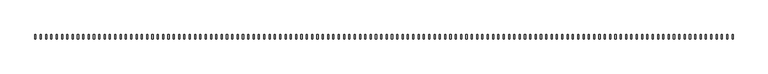
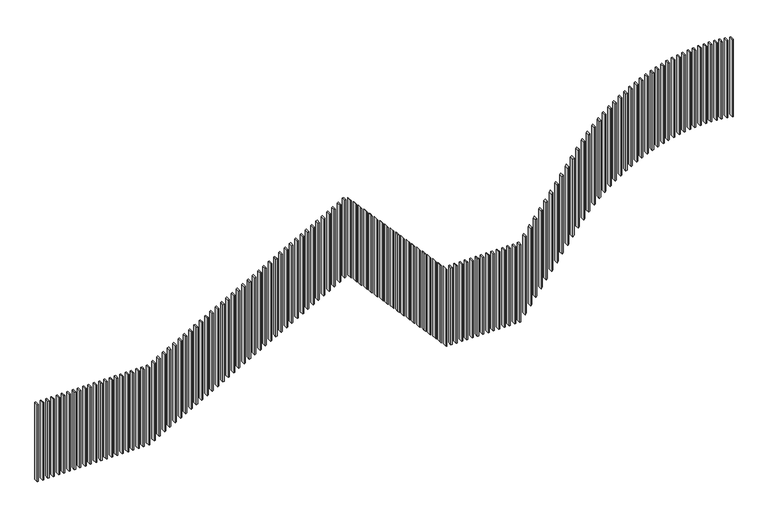
"""IFC4 building model written with IfcOpenShell, lengths in millimetres: railing geometry."""

from ifc_helpers import new_model, si_unit, frame, origin, place, context, project, spatial, polyline, outline, extrude, source, transform, mapped, element, save


def railing_7092d26f(model_context):
    return source(origin(), model_context, "Body", "SweptSolid", [
        extrude(outline(polyline([(3220.9401785, 15645.0), (2450.9401785, 15645.0), (2449.3381805, 15655.0), (3219.3381805, 15655.0), (3220.9401785, 15645.0)])), frame((0.0, 1210.0, 0.0), z_axis=(0.0, 1.0, 0.0), x_axis=(0.0, 0.0, 1.0)), (0.0, 0.0, 1.0), 40.0),
        extrude(outline(polyline([(3227.9171291, 15595.0), (2457.9171291, 15595.0), (2456.6587882, 15605.0), (3226.6587882, 15605.0), (3227.9171291, 15595.0)])), frame((0.0, 1210.0, 0.0), z_axis=(0.0, 1.0, 0.0), x_axis=(0.0, 0.0, 1.0)), (0.0, 0.0, 1.0), 40.0),
        extrude(outline(polyline([(3233.1893186, 15545.0), (2463.1893186, 15545.0), (2462.2703, 15555.0), (3232.2703, 15555.0), (3233.1893186, 15545.0)])), frame((0.0, 1210.0, 0.0), z_axis=(0.0, 1.0, 0.0), x_axis=(0.0, 0.0, 1.0)), (0.0, 0.0, 1.0), 40.0),
        extrude(outline(polyline([(3236.7747488, 15495.0), (2466.7747488, 15495.0), (2466.1919328, 15505.0), (3236.1919328, 15505.0), (3236.7747488, 15495.0)])), frame((0.0, 1210.0, 0.0), z_axis=(0.0, 1.0, 0.0), x_axis=(0.0, 0.0, 1.0)), (0.0, 0.0, 1.0), 40.0),
        extrude(outline(polyline([(3238.6855175, 15445.0), (2468.6855175, 15445.0), (2468.4369454, 15455.0), (3238.4369454, 15455.0), (3238.6855175, 15445.0)])), frame((0.0, 1210.0, 0.0), z_axis=(0.0, 1.0, 0.0), x_axis=(0.0, 0.0, 1.0)), (0.0, 0.0, 1.0), 40.0),
        extrude(outline(polyline([(15395.0, 1210.0), (15395.0, 1250.0), (15405.0, 1250.0), (15405.0, 1210.0), (15395.0, 1210.0)])), frame((0.0, 0.0, 2468.9704452), z_axis=(0.0, 0.0, 1.0), x_axis=(1.0, 0.0, 0.0)), (0.0, 0.0, 1.0), 770.0),
        extrude(outline(polyline([(3237.50308, 15345.0), (2467.50308, 15345.0), (2467.9216175, 15355.0), (3237.9216175, 15355.0), (3237.50308, 15345.0)])), frame((0.0, 1210.0, 0.0), z_axis=(0.0, 1.0, 0.0), x_axis=(0.0, 0.0, 1.0)), (0.0, 0.0, 1.0), 40.0),
        extrude(outline(polyline([(3234.4059172, 15295.0), (2464.4059172, 15295.0), (2465.159553, 15305.0), (3235.159553, 15305.0), (3234.4059172, 15295.0)])), frame((0.0, 1210.0, 0.0), z_axis=(0.0, 1.0, 0.0), x_axis=(0.0, 0.0, 1.0)), (0.0, 0.0, 1.0), 40.0),
        extrude(outline(polyline([(3229.6261131, 15245.0), (2459.6261131, 15245.0), (2460.7173916, 15255.0), (3230.7173916, 15255.0), (3229.6261131, 15245.0)])), frame((0.0, 1210.0, 0.0), z_axis=(0.0, 1.0, 0.0), x_axis=(0.0, 0.0, 1.0)), (0.0, 0.0, 1.0), 40.0),
        extrude(outline(polyline([(3223.1474109, 15195.0), (2453.1474109, 15195.0), (2454.5800623, 15205.0), (3224.5800623, 15205.0), (3223.1474109, 15195.0)])), frame((0.0, 1210.0, 0.0), z_axis=(0.0, 1.0, 0.0), x_axis=(0.0, 0.0, 1.0)), (0.0, 0.0, 1.0), 40.0),
        extrude(outline(polyline([(3214.9474395, 15145.0), (2444.9474395, 15145.0), (2446.7264447, 15155.0), (3216.7264447, 15155.0), (3214.9474395, 15145.0)])), frame((0.0, 1210.0, 0.0), z_axis=(0.0, 1.0, 0.0), x_axis=(0.0, 0.0, 1.0)), (0.0, 0.0, 1.0), 40.0),
        extrude(outline(polyline([(3204.9973166, 15095.0), (2434.9973166, 15095.0), (2437.1289966, 15105.0), (3207.1289966, 15105.0), (3204.9973166, 15095.0)])), frame((0.0, 1210.0, 0.0), z_axis=(0.0, 1.0, 0.0), x_axis=(0.0, 0.0, 1.0)), (0.0, 0.0, 1.0), 40.0),
        extrude(outline(polyline([(3193.26112, 15045.0), (2423.26112, 15045.0), (2425.7532533, 15055.0), (3195.7532533, 15055.0), (3193.26112, 15045.0)])), frame((0.0, 1210.0, 0.0), z_axis=(0.0, 1.0, 0.0), x_axis=(0.0, 0.0, 1.0)), (0.0, 0.0, 1.0), 40.0),
        extrude(outline(polyline([(3179.6952026, 14995.0), (2409.6952026, 14995.0), (2412.5571761, 15005.0), (3182.5571761, 15005.0), (3179.6952026, 14995.0)])), frame((0.0, 1210.0, 0.0), z_axis=(0.0, 1.0, 0.0), x_axis=(0.0, 0.0, 1.0)), (0.0, 0.0, 1.0), 40.0),
        extrude(outline(polyline([(3164.24732, 14945.0), (2394.24732, 14945.0), (2397.4903205, 14955.0), (3167.4903205, 14955.0), (3164.24732, 14945.0)])), frame((0.0, 1210.0, 0.0), z_axis=(0.0, 1.0, 0.0), x_axis=(0.0, 0.0, 1.0)), (0.0, 0.0, 1.0), 40.0),
        extrude(outline(polyline([(3146.8555256, 14895.0), (2376.8555256, 14895.0), (2380.4927817, 14905.0), (3150.4927817, 14905.0), (3146.8555256, 14895.0)])), frame((0.0, 1210.0, 0.0), z_axis=(0.0, 1.0, 0.0), x_axis=(0.0, 0.0, 1.0)), (0.0, 0.0, 1.0), 40.0),
        extrude(outline(polyline([(3127.446776, 14845.0), (2357.446776, 14845.0), (2361.4938641, 14855.0), (3131.4938641, 14855.0), (3127.446776, 14845.0)])), frame((0.0, 1210.0, 0.0), z_axis=(0.0, 1.0, 0.0), x_axis=(0.0, 0.0, 1.0)), (0.0, 0.0, 1.0), 40.0),
        extrude(outline(polyline([(3105.9351632, 14795.0), (2335.9351632, 14795.0), (2340.4103956, 14805.0), (3110.4103956, 14805.0), (3105.9351632, 14795.0)])), frame((0.0, 1210.0, 0.0), z_axis=(0.0, 1.0, 0.0), x_axis=(0.0, 0.0, 1.0)), (0.0, 0.0, 1.0), 40.0),
        extrude(outline(polyline([(3082.2196648, 14745.0), (2312.2196648, 14745.0), (2317.1445852, 14755.0), (3087.1445852, 14755.0), (3082.2196648, 14745.0)])), frame((0.0, 1210.0, 0.0), z_axis=(0.0, 1.0, 0.0), x_axis=(0.0, 0.0, 1.0)), (0.0, 0.0, 1.0), 40.0),
        extrude(outline(polyline([(3056.1812524, 14695.0), (2286.1812524, 14695.0), (2291.5812752, 14705.0), (3061.5812752, 14705.0), (3056.1812524, 14695.0)])), frame((0.0, 1210.0, 0.0), z_axis=(0.0, 1.0, 0.0), x_axis=(0.0, 0.0, 1.0)), (0.0, 0.0, 1.0), 40.0),
        extrude(outline(polyline([(3027.6791364, 14645.0), (2257.6791364, 14645.0), (2263.5843809, 14655.0), (3033.5843809, 14655.0), (3027.6791364, 14645.0)])), frame((0.0, 1210.0, 0.0), z_axis=(0.0, 1.0, 0.0), x_axis=(0.0, 0.0, 1.0)), (0.0, 0.0, 1.0), 40.0),
        extrude(outline(polyline([(2996.5458227, 14595.0), (2226.5458227, 14595.0), (2232.9922172, 14605.0), (3002.9922172, 14605.0), (2996.5458227, 14595.0)])), frame((0.0, 1210.0, 0.0), z_axis=(0.0, 1.0, 0.0), x_axis=(0.0, 0.0, 1.0)), (0.0, 0.0, 1.0), 40.0),
        extrude(outline(polyline([(2962.580498, 14545.0), (2192.580498, 14545.0), (2199.6112679, 14555.0), (2969.6112679, 14555.0), (2962.580498, 14545.0)])), frame((0.0, 1210.0, 0.0), z_axis=(0.0, 1.0, 0.0), x_axis=(0.0, 0.0, 1.0)), (0.0, 0.0, 1.0), 40.0),
        extrude(outline(polyline([(2925.5400101, 14495.0), (2155.5400101, 14495.0), (2163.2077224, 14505.0), (2933.2077224, 14505.0), (2925.5400101, 14495.0)])), frame((0.0, 1210.0, 0.0), z_axis=(0.0, 1.0, 0.0), x_axis=(0.0, 0.0, 1.0)), (0.0, 0.0, 1.0), 40.0),
        extrude(outline(polyline([(2885.1262862, 14445.0), (2115.1262862, 14445.0), (2123.4957284, 14455.0), (2893.4957284, 14455.0), (2885.1262862, 14445.0)])), frame((0.0, 1210.0, 0.0), z_axis=(0.0, 1.0, 0.0), x_axis=(0.0, 0.0, 1.0)), (0.0, 0.0, 1.0), 40.0),
        extrude(outline(polyline([(2840.9683142, 14395.0), (2070.9683142, 14395.0), (2080.1206626, 14405.0), (2850.1206626, 14405.0), (2840.9683142, 14395.0)])), frame((0.0, 1210.0, 0.0), z_axis=(0.0, 1.0, 0.0), x_axis=(0.0, 0.0, 1.0)), (0.0, 0.0, 1.0), 40.0),
        extrude(outline(polyline([(2792.595504, 14345.0), (2022.595504, 14345.0), (2032.6345663, 14355.0), (2802.6345663, 14355.0), (2792.595504, 14345.0)])), frame((0.0, 1210.0, 0.0), z_axis=(0.0, 1.0, 0.0), x_axis=(0.0, 0.0, 1.0)), (0.0, 0.0, 1.0), 40.0),
        extrude(outline(polyline([(2739.3967776, 14295.0), (1969.3967776, 14295.0), (1980.4587323, 14305.0), (2750.4587323, 14305.0), (2739.3967776, 14295.0)])), frame((0.0, 1210.0, 0.0), z_axis=(0.0, 1.0, 0.0), x_axis=(0.0, 0.0, 1.0)), (0.0, 0.0, 1.0), 40.0),
        extrude(outline(polyline([(2680.5547302, 14245.0), (1910.5547302, 14245.0), (1922.8241051, 14255.0), (2692.8241051, 14255.0), (2680.5547302, 14245.0)])), frame((0.0, 1210.0, 0.0), z_axis=(0.0, 1.0, 0.0), x_axis=(0.0, 0.0, 1.0)), (0.0, 0.0, 1.0), 40.0),
        extrude(outline(polyline([(2614.9201587, 14195.0), (1844.9201587, 14195.0), (1858.6839779, 14205.0), (2628.6839779, 14205.0), (2614.9201587, 14195.0)])), frame((0.0, 1210.0, 0.0), z_axis=(0.0, 1.0, 0.0), x_axis=(0.0, 0.0, 1.0)), (0.0, 0.0, 1.0), 40.0),
        extrude(outline(polyline([(2546.1021113, 14145.0), (1776.1021113, 14145.0), (1789.8659305, 14155.0), (2559.8659305, 14155.0), (2546.1021113, 14145.0)])), frame((0.0, 1210.0, 0.0), z_axis=(0.0, 1.0, 0.0), x_axis=(0.0, 0.0, 1.0)), (0.0, 0.0, 1.0), 40.0),
        extrude(outline(polyline([(2477.2830153, 14095.0), (1707.2830153, 14095.0), (1721.0468345, 14105.0), (2491.0468345, 14105.0), (2477.2830153, 14095.0)])), frame((0.0, 1210.0, 0.0), z_axis=(0.0, 1.0, 0.0), x_axis=(0.0, 0.0, 1.0)), (0.0, 0.0, 1.0), 40.0),
        extrude(outline(polyline([(2408.4639193, 14045.0), (1638.4639193, 14045.0), (1652.2277385, 14055.0), (2422.2277385, 14055.0), (2408.4639193, 14045.0)])), frame((0.0, 1210.0, 0.0), z_axis=(0.0, 1.0, 0.0), x_axis=(0.0, 0.0, 1.0)), (0.0, 0.0, 1.0), 40.0),
        extrude(outline(polyline([(2339.6448233, 13995.0), (1569.6448233, 13995.0), (1583.4086425, 14005.0), (2353.4086425, 14005.0), (2339.6448233, 13995.0)])), frame((0.0, 1210.0, 0.0), z_axis=(0.0, 1.0, 0.0), x_axis=(0.0, 0.0, 1.0)), (0.0, 0.0, 1.0), 40.0),
        extrude(outline(polyline([(2270.8257272, 13945.0), (1500.8257272, 13945.0), (1514.5895464, 13955.0), (2284.5895464, 13955.0), (2270.8257272, 13945.0)])), frame((0.0, 1210.0, 0.0), z_axis=(0.0, 1.0, 0.0), x_axis=(0.0, 0.0, 1.0)), (0.0, 0.0, 1.0), 40.0),
        extrude(outline(polyline([(2202.0066312, 13895.0), (1432.0066312, 13895.0), (1445.7704504, 13905.0), (2215.7704504, 13905.0), (2202.0066312, 13895.0)])), frame((0.0, 1210.0, 0.0), z_axis=(0.0, 1.0, 0.0), x_axis=(0.0, 0.0, 1.0)), (0.0, 0.0, 1.0), 40.0),
        extrude(outline(polyline([(2133.1875352, 13845.0), (1363.1875352, 13845.0), (1376.9513544, 13855.0), (2146.9513544, 13855.0), (2133.1875352, 13845.0)])), frame((0.0, 1210.0, 0.0), z_axis=(0.0, 1.0, 0.0), x_axis=(0.0, 0.0, 1.0)), (0.0, 0.0, 1.0), 40.0),
        extrude(outline(polyline([(2064.3684392, 13795.0), (1294.3684392, 13795.0), (1308.1322584, 13805.0), (2078.1322584, 13805.0), (2064.3684392, 13795.0)])), frame((0.0, 1210.0, 0.0), z_axis=(0.0, 1.0, 0.0), x_axis=(0.0, 0.0, 1.0)), (0.0, 0.0, 1.0), 40.0),
        extrude(outline(polyline([(1995.5493431, 13745.0), (1225.5493431, 13745.0), (1239.3131623, 13755.0), (2009.3131623, 13755.0), (1995.5493431, 13745.0)])), frame((0.0, 1210.0, 0.0), z_axis=(0.0, 1.0, 0.0), x_axis=(0.0, 0.0, 1.0)), (0.0, 0.0, 1.0), 40.0),
        extrude(outline(polyline([(1926.7302471, 13695.0), (1156.7302471, 13695.0), (1170.4940663, 13705.0), (1940.4940663, 13705.0), (1926.7302471, 13695.0)])), frame((0.0, 1210.0, 0.0), z_axis=(0.0, 1.0, 0.0), x_axis=(0.0, 0.0, 1.0)), (0.0, 0.0, 1.0), 40.0),
        extrude(outline(polyline([(13645.0, 1210.0), (13645.0, 1250.0), (13655.0, 1250.0), (13655.0, 1210.0), (13645.0, 1210.0)])), frame((0.0, 0.0, 1100.0), z_axis=(0.0, 0.0, 1.0), x_axis=(1.0, 0.0, 0.0)), (0.0, 0.0, 1.0), 770.0),
        extrude(outline(polyline([(13595.0, 1210.0), (13595.0, 1250.0), (13605.0, 1250.0), (13605.0, 1210.0), (13595.0, 1210.0)])), frame((0.0, 0.0, 1100.0), z_axis=(0.0, 0.0, 1.0), x_axis=(1.0, 0.0, 0.0)), (0.0, 0.0, 1.0), 770.0),
        extrude(outline(polyline([(13545.0, 1210.0), (13545.0, 1250.0), (13555.0, 1250.0), (13555.0, 1210.0), (13545.0, 1210.0)])), frame((0.0, 0.0, 1100.0), z_axis=(0.0, 0.0, 1.0), x_axis=(1.0, 0.0, 0.0)), (0.0, 0.0, 1.0), 770.0),
        extrude(outline(polyline([(13495.0, 1210.0), (13495.0, 1250.0), (13505.0, 1250.0), (13505.0, 1210.0), (13495.0, 1210.0)])), frame((0.0, 0.0, 1100.0), z_axis=(0.0, 0.0, 1.0), x_axis=(1.0, 0.0, 0.0)), (0.0, 0.0, 1.0), 770.0),
        extrude(outline(polyline([(13445.0, 1210.0), (13445.0, 1250.0), (13455.0, 1250.0), (13455.0, 1210.0), (13445.0, 1210.0)])), frame((0.0, 0.0, 1100.0), z_axis=(0.0, 0.0, 1.0), x_axis=(1.0, 0.0, 0.0)), (0.0, 0.0, 1.0), 770.0),
        extrude(outline(polyline([(13395.0, 1210.0), (13395.0, 1250.0), (13405.0, 1250.0), (13405.0, 1210.0), (13395.0, 1210.0)])), frame((0.0, 0.0, 1100.0), z_axis=(0.0, 0.0, 1.0), x_axis=(1.0, 0.0, 0.0)), (0.0, 0.0, 1.0), 770.0),
        extrude(outline(polyline([(13345.0, 1210.0), (13345.0, 1250.0), (13355.0, 1250.0), (13355.0, 1210.0), (13345.0, 1210.0)])), frame((0.0, 0.0, 1100.0), z_axis=(0.0, 0.0, 1.0), x_axis=(1.0, 0.0, 0.0)), (0.0, 0.0, 1.0), 770.0),
        extrude(outline(polyline([(13295.0, 1210.0), (13295.0, 1250.0), (13305.0, 1250.0), (13305.0, 1210.0), (13295.0, 1210.0)])), frame((0.0, 0.0, 1100.0), z_axis=(0.0, 0.0, 1.0), x_axis=(1.0, 0.0, 0.0)), (0.0, 0.0, 1.0), 770.0),
        extrude(outline(polyline([(13245.0, 1210.0), (13245.0, 1250.0), (13255.0, 1250.0), (13255.0, 1210.0), (13245.0, 1210.0)])), frame((0.0, 0.0, 1100.0), z_axis=(0.0, 0.0, 1.0), x_axis=(1.0, 0.0, 0.0)), (0.0, 0.0, 1.0), 770.0),
        extrude(outline(polyline([(13195.0, 1210.0), (13195.0, 1250.0), (13205.0, 1250.0), (13205.0, 1210.0), (13195.0, 1210.0)])), frame((0.0, 0.0, 1100.0), z_axis=(0.0, 0.0, 1.0), x_axis=(1.0, 0.0, 0.0)), (0.0, 0.0, 1.0), 770.0),
        extrude(outline(polyline([(13145.0, 1210.0), (13145.0, 1250.0), (13155.0, 1250.0), (13155.0, 1210.0), (13145.0, 1210.0)])), frame((0.0, 0.0, 1100.0), z_axis=(0.0, 0.0, 1.0), x_axis=(1.0, 0.0, 0.0)), (0.0, 0.0, 1.0), 770.0),
        extrude(outline(polyline([(13095.0, 1210.0), (13095.0, 1250.0), (13105.0, 1250.0), (13105.0, 1210.0), (13095.0, 1210.0)])), frame((0.0, 0.0, 1100.0), z_axis=(0.0, 0.0, 1.0), x_axis=(1.0, 0.0, 0.0)), (0.0, 0.0, 1.0), 770.0),
        extrude(outline(polyline([(13045.0, 1210.0), (13045.0, 1250.0), (13055.0, 1250.0), (13055.0, 1210.0), (13045.0, 1210.0)])), frame((0.0, 0.0, 1100.0), z_axis=(0.0, 0.0, 1.0), x_axis=(1.0, 0.0, 0.0)), (0.0, 0.0, 1.0), 770.0),
        extrude(outline(polyline([(12995.0, 1210.0), (12995.0, 1250.0), (13005.0, 1250.0), (13005.0, 1210.0), (12995.0, 1210.0)])), frame((0.0, 0.0, 1100.0), z_axis=(0.0, 0.0, 1.0), x_axis=(1.0, 0.0, 0.0)), (0.0, 0.0, 1.0), 770.0),
        extrude(outline(polyline([(1879.7545795, 12945.0), (1109.7545795, 12945.0), (1098.6484544, 12955.0), (1868.6484544, 12955.0), (1879.7545795, 12945.0)])), frame((0.0, 1210.0, 0.0), z_axis=(0.0, 1.0, 0.0), x_axis=(0.0, 0.0, 1.0)), (0.0, 0.0, 1.0), 40.0),
        extrude(outline(polyline([(1935.2852053, 12895.0), (1165.2852053, 12895.0), (1154.1790801, 12905.0), (1924.1790801, 12905.0), (1935.2852053, 12895.0)])), frame((0.0, 1210.0, 0.0), z_axis=(0.0, 1.0, 0.0), x_axis=(0.0, 0.0, 1.0)), (0.0, 0.0, 1.0), 40.0),
        extrude(outline(polyline([(1990.815831, 12845.0), (1220.815831, 12845.0), (1209.7097058, 12855.0), (1979.7097058, 12855.0), (1990.815831, 12845.0)])), frame((0.0, 1210.0, 0.0), z_axis=(0.0, 1.0, 0.0), x_axis=(0.0, 0.0, 1.0)), (0.0, 0.0, 1.0), 40.0),
        extrude(outline(polyline([(2046.3464567, 12795.0), (1276.3464567, 12795.0), (1265.2403316, 12805.0), (2035.2403316, 12805.0), (2046.3464567, 12795.0)])), frame((0.0, 1210.0, 0.0), z_axis=(0.0, 1.0, 0.0), x_axis=(0.0, 0.0, 1.0)), (0.0, 0.0, 1.0), 40.0),
        extrude(outline(polyline([(2101.8770825, 12745.0), (1331.8770825, 12745.0), (1320.7709573, 12755.0), (2090.7709573, 12755.0), (2101.8770825, 12745.0)])), frame((0.0, 1210.0, 0.0), z_axis=(0.0, 1.0, 0.0), x_axis=(0.0, 0.0, 1.0)), (0.0, 0.0, 1.0), 40.0),
        extrude(outline(polyline([(2157.4077082, 12695.0), (1387.4077082, 12695.0), (1376.3015831, 12705.0), (2146.3015831, 12705.0), (2157.4077082, 12695.0)])), frame((0.0, 1210.0, 0.0), z_axis=(0.0, 1.0, 0.0), x_axis=(0.0, 0.0, 1.0)), (0.0, 0.0, 1.0), 40.0),
        extrude(outline(polyline([(2212.938334, 12645.0), (1442.938334, 12645.0), (1431.8322088, 12655.0), (2201.8322088, 12655.0), (2212.938334, 12645.0)])), frame((0.0, 1210.0, 0.0), z_axis=(0.0, 1.0, 0.0), x_axis=(0.0, 0.0, 1.0)), (0.0, 0.0, 1.0), 40.0),
        extrude(outline(polyline([(2268.4689597, 12595.0), (1498.4689597, 12595.0), (1487.3628346, 12605.0), (2257.3628346, 12605.0), (2268.4689597, 12595.0)])), frame((0.0, 1210.0, 0.0), z_axis=(0.0, 1.0, 0.0), x_axis=(0.0, 0.0, 1.0)), (0.0, 0.0, 1.0), 40.0),
        extrude(outline(polyline([(2323.9995854, 12545.0), (1553.9995854, 12545.0), (1542.8934603, 12555.0), (2312.8934603, 12555.0), (2323.9995854, 12545.0)])), frame((0.0, 1210.0, 0.0), z_axis=(0.0, 1.0, 0.0), x_axis=(0.0, 0.0, 1.0)), (0.0, 0.0, 1.0), 40.0),
        extrude(outline(polyline([(2379.5302112, 12495.0), (1609.5302112, 12495.0), (1598.424086, 12505.0), (2368.424086, 12505.0), (2379.5302112, 12495.0)])), frame((0.0, 1210.0, 0.0), z_axis=(0.0, 1.0, 0.0), x_axis=(0.0, 0.0, 1.0)), (0.0, 0.0, 1.0), 40.0),
        extrude(outline(polyline([(2435.0608369, 12445.0), (1665.0608369, 12445.0), (1653.9547118, 12455.0), (2423.9547118, 12455.0), (2435.0608369, 12445.0)])), frame((0.0, 1210.0, 0.0), z_axis=(0.0, 1.0, 0.0), x_axis=(0.0, 0.0, 1.0)), (0.0, 0.0, 1.0), 40.0),
        extrude(outline(polyline([(2490.5914627, 12395.0), (1720.5914627, 12395.0), (1709.4853375, 12405.0), (2479.4853375, 12405.0), (2490.5914627, 12395.0)])), frame((0.0, 1210.0, 0.0), z_axis=(0.0, 1.0, 0.0), x_axis=(0.0, 0.0, 1.0)), (0.0, 0.0, 1.0), 40.0),
        extrude(outline(polyline([(2546.1220884, 12345.0), (1776.1220884, 12345.0), (1765.0159633, 12355.0), (2535.0159633, 12355.0), (2546.1220884, 12345.0)])), frame((0.0, 1210.0, 0.0), z_axis=(0.0, 1.0, 0.0), x_axis=(0.0, 0.0, 1.0)), (0.0, 0.0, 1.0), 40.0),
        extrude(outline(polyline([(2601.6527142, 12295.0), (1831.6527142, 12295.0), (1820.546589, 12305.0), (2590.546589, 12305.0), (2601.6527142, 12295.0)])), frame((0.0, 1210.0, 0.0), z_axis=(0.0, 1.0, 0.0), x_axis=(0.0, 0.0, 1.0)), (0.0, 0.0, 1.0), 40.0),
        extrude(outline(polyline([(2657.1833399, 12245.0), (1887.1833399, 12245.0), (1876.0772147, 12255.0), (2646.0772147, 12255.0), (2657.1833399, 12245.0)])), frame((0.0, 1210.0, 0.0), z_axis=(0.0, 1.0, 0.0), x_axis=(0.0, 0.0, 1.0)), (0.0, 0.0, 1.0), 40.0),
        extrude(outline(polyline([(2712.7139656, 12195.0), (1942.7139656, 12195.0), (1931.6078405, 12205.0), (2701.6078405, 12205.0), (2712.7139656, 12195.0)])), frame((0.0, 1210.0, 0.0), z_axis=(0.0, 1.0, 0.0), x_axis=(0.0, 0.0, 1.0)), (0.0, 0.0, 1.0), 40.0),
        extrude(outline(polyline([(2768.2445914, 12145.0), (1998.2445914, 12145.0), (1987.1384662, 12155.0), (2757.1384662, 12155.0), (2768.2445914, 12145.0)])), frame((0.0, 1210.0, 0.0), z_axis=(0.0, 1.0, 0.0), x_axis=(0.0, 0.0, 1.0)), (0.0, 0.0, 1.0), 40.0),
        extrude(outline(polyline([(2823.7752171, 12095.0), (2053.7752171, 12095.0), (2042.669092, 12105.0), (2812.669092, 12105.0), (2823.7752171, 12095.0)])), frame((0.0, 1210.0, 0.0), z_axis=(0.0, 1.0, 0.0), x_axis=(0.0, 0.0, 1.0)), (0.0, 0.0, 1.0), 40.0),
        extrude(outline(polyline([(2879.3058429, 12045.0), (2109.3058429, 12045.0), (2098.1997177, 12055.0), (2868.1997177, 12055.0), (2879.3058429, 12045.0)])), frame((0.0, 1210.0, 0.0), z_axis=(0.0, 1.0, 0.0), x_axis=(0.0, 0.0, 1.0)), (0.0, 0.0, 1.0), 40.0),
        extrude(outline(polyline([(2889.9286547, 11995.0), (2119.9286547, 11995.0), (2125.4717452, 12005.0), (2895.4717452, 12005.0), (2889.9286547, 11995.0)])), frame((0.0, 1210.0, 0.0), z_axis=(0.0, 1.0, 0.0), x_axis=(0.0, 0.0, 1.0)), (0.0, 0.0, 1.0), 40.0),
        extrude(outline(polyline([(2862.2132021, 11945.0), (2092.2132021, 11945.0), (2097.7562926, 11955.0), (2867.7562926, 11955.0), (2862.2132021, 11945.0)])), frame((0.0, 1210.0, 0.0), z_axis=(0.0, 1.0, 0.0), x_axis=(0.0, 0.0, 1.0)), (0.0, 0.0, 1.0), 40.0),
        extrude(outline(polyline([(2834.4977495, 11895.0), (2064.4977495, 11895.0), (2070.04084, 11905.0), (2840.04084, 11905.0), (2834.4977495, 11895.0)])), frame((0.0, 1210.0, 0.0), z_axis=(0.0, 1.0, 0.0), x_axis=(0.0, 0.0, 1.0)), (0.0, 0.0, 1.0), 40.0),
        extrude(outline(polyline([(2806.782297, 11845.0), (2036.782297, 11845.0), (2042.3253875, 11855.0), (2812.3253875, 11855.0), (2806.782297, 11845.0)])), frame((0.0, 1210.0, 0.0), z_axis=(0.0, 1.0, 0.0), x_axis=(0.0, 0.0, 1.0)), (0.0, 0.0, 1.0), 40.0),
        extrude(outline(polyline([(2779.0668444, 11795.0), (2009.0668444, 11795.0), (2014.6099349, 11805.0), (2784.6099349, 11805.0), (2779.0668444, 11795.0)])), frame((0.0, 1210.0, 0.0), z_axis=(0.0, 1.0, 0.0), x_axis=(0.0, 0.0, 1.0)), (0.0, 0.0, 1.0), 40.0),
        extrude(outline(polyline([(2751.3513918, 11745.0), (1981.3513918, 11745.0), (1986.8944823, 11755.0), (2756.8944823, 11755.0), (2751.3513918, 11745.0)])), frame((0.0, 1210.0, 0.0), z_axis=(0.0, 1.0, 0.0), x_axis=(0.0, 0.0, 1.0)), (0.0, 0.0, 1.0), 40.0),
        extrude(outline(polyline([(2723.6359392, 11695.0), (1953.6359392, 11695.0), (1959.1790298, 11705.0), (2729.1790298, 11705.0), (2723.6359392, 11695.0)])), frame((0.0, 1210.0, 0.0), z_axis=(0.0, 1.0, 0.0), x_axis=(0.0, 0.0, 1.0)), (0.0, 0.0, 1.0), 40.0),
        extrude(outline(polyline([(2695.9204867, 11645.0), (1925.9204867, 11645.0), (1931.4635772, 11655.0), (2701.4635772, 11655.0), (2695.9204867, 11645.0)])), frame((0.0, 1210.0, 0.0), z_axis=(0.0, 1.0, 0.0), x_axis=(0.0, 0.0, 1.0)), (0.0, 0.0, 1.0), 40.0),
        extrude(outline(polyline([(2668.2050341, 11595.0), (1898.2050341, 11595.0), (1903.7481246, 11605.0), (2673.7481246, 11605.0), (2668.2050341, 11595.0)])), frame((0.0, 1210.0, 0.0), z_axis=(0.0, 1.0, 0.0), x_axis=(0.0, 0.0, 1.0)), (0.0, 0.0, 1.0), 40.0),
        extrude(outline(polyline([(2640.4895815, 11545.0), (1870.4895815, 11545.0), (1876.032672, 11555.0), (2646.032672, 11555.0), (2640.4895815, 11545.0)])), frame((0.0, 1210.0, 0.0), z_axis=(0.0, 1.0, 0.0), x_axis=(0.0, 0.0, 1.0)), (0.0, 0.0, 1.0), 40.0),
        extrude(outline(polyline([(2612.7741289, 11495.0), (1842.7741289, 11495.0), (1848.3172195, 11505.0), (2618.3172195, 11505.0), (2612.7741289, 11495.0)])), frame((0.0, 1210.0, 0.0), z_axis=(0.0, 1.0, 0.0), x_axis=(0.0, 0.0, 1.0)), (0.0, 0.0, 1.0), 40.0),
        extrude(outline(polyline([(2585.0586764, 11445.0), (1815.0586764, 11445.0), (1820.6017669, 11455.0), (2590.6017669, 11455.0), (2585.0586764, 11445.0)])), frame((0.0, 1210.0, 0.0), z_axis=(0.0, 1.0, 0.0), x_axis=(0.0, 0.0, 1.0)), (0.0, 0.0, 1.0), 40.0),
        extrude(outline(polyline([(2557.3432238, 11395.0), (1787.3432238, 11395.0), (1792.8863143, 11405.0), (2562.8863143, 11405.0), (2557.3432238, 11395.0)])), frame((0.0, 1210.0, 0.0), z_axis=(0.0, 1.0, 0.0), x_axis=(0.0, 0.0, 1.0)), (0.0, 0.0, 1.0), 40.0),
        extrude(outline(polyline([(2529.6277712, 11345.0), (1759.6277712, 11345.0), (1765.1708617, 11355.0), (2535.1708617, 11355.0), (2529.6277712, 11345.0)])), frame((0.0, 1210.0, 0.0), z_axis=(0.0, 1.0, 0.0), x_axis=(0.0, 0.0, 1.0)), (0.0, 0.0, 1.0), 40.0),
        extrude(outline(polyline([(2501.9123187, 11295.0), (1731.9123187, 11295.0), (1737.4554092, 11305.0), (2507.4554092, 11305.0), (2501.9123187, 11295.0)])), frame((0.0, 1210.0, 0.0), z_axis=(0.0, 1.0, 0.0), x_axis=(0.0, 0.0, 1.0)), (0.0, 0.0, 1.0), 40.0),
        extrude(outline(polyline([(2474.1968661, 11245.0), (1704.1968661, 11245.0), (1709.7399566, 11255.0), (2479.7399566, 11255.0), (2474.1968661, 11245.0)])), frame((0.0, 1210.0, 0.0), z_axis=(0.0, 1.0, 0.0), x_axis=(0.0, 0.0, 1.0)), (0.0, 0.0, 1.0), 40.0),
        extrude(outline(polyline([(2446.4814135, 11195.0), (1676.4814135, 11195.0), (1682.024504, 11205.0), (2452.024504, 11205.0), (2446.4814135, 11195.0)])), frame((0.0, 1210.0, 0.0), z_axis=(0.0, 1.0, 0.0), x_axis=(0.0, 0.0, 1.0)), (0.0, 0.0, 1.0), 40.0),
        extrude(outline(polyline([(2418.7659609, 11145.0), (1648.7659609, 11145.0), (1654.3090515, 11155.0), (2424.3090515, 11155.0), (2418.7659609, 11145.0)])), frame((0.0, 1210.0, 0.0), z_axis=(0.0, 1.0, 0.0), x_axis=(0.0, 0.0, 1.0)), (0.0, 0.0, 1.0), 40.0),
        extrude(outline(polyline([(2391.0505084, 11095.0), (1621.0505084, 11095.0), (1626.5935989, 11105.0), (2396.5935989, 11105.0), (2391.0505084, 11095.0)])), frame((0.0, 1210.0, 0.0), z_axis=(0.0, 1.0, 0.0), x_axis=(0.0, 0.0, 1.0)), (0.0, 0.0, 1.0), 40.0),
        extrude(outline(polyline([(2363.3350558, 11045.0), (1593.3350558, 11045.0), (1598.8781463, 11055.0), (2368.8781463, 11055.0), (2363.3350558, 11045.0)])), frame((0.0, 1210.0, 0.0), z_axis=(0.0, 1.0, 0.0), x_axis=(0.0, 0.0, 1.0)), (0.0, 0.0, 1.0), 40.0),
        extrude(outline(polyline([(2335.6196032, 10995.0), (1565.6196032, 10995.0), (1571.1626937, 11005.0), (2341.1626937, 11005.0), (2335.6196032, 10995.0)])), frame((0.0, 1210.0, 0.0), z_axis=(0.0, 1.0, 0.0), x_axis=(0.0, 0.0, 1.0)), (0.0, 0.0, 1.0), 40.0),
        extrude(outline(polyline([(2307.9041506, 10945.0), (1537.9041506, 10945.0), (1543.4472412, 10955.0), (2313.4472412, 10955.0), (2307.9041506, 10945.0)])), frame((0.0, 1210.0, 0.0), z_axis=(0.0, 1.0, 0.0), x_axis=(0.0, 0.0, 1.0)), (0.0, 0.0, 1.0), 40.0),
        extrude(outline(polyline([(2280.1886981, 10895.0), (1510.1886981, 10895.0), (1515.7317886, 10905.0), (2285.7317886, 10905.0), (2280.1886981, 10895.0)])), frame((0.0, 1210.0, 0.0), z_axis=(0.0, 1.0, 0.0), x_axis=(0.0, 0.0, 1.0)), (0.0, 0.0, 1.0), 40.0),
        extrude(outline(polyline([(2252.4732455, 10845.0), (1482.4732455, 10845.0), (1488.016336, 10855.0), (2258.016336, 10855.0), (2252.4732455, 10845.0)])), frame((0.0, 1210.0, 0.0), z_axis=(0.0, 1.0, 0.0), x_axis=(0.0, 0.0, 1.0)), (0.0, 0.0, 1.0), 40.0),
        extrude(outline(polyline([(2224.7577929, 10795.0), (1454.7577929, 10795.0), (1460.3008834, 10805.0), (2230.3008834, 10805.0), (2224.7577929, 10795.0)])), frame((0.0, 1210.0, 0.0), z_axis=(0.0, 1.0, 0.0), x_axis=(0.0, 0.0, 1.0)), (0.0, 0.0, 1.0), 40.0),
        extrude(outline(polyline([(2197.0423404, 10745.0), (1427.0423404, 10745.0), (1432.5854309, 10755.0), (2202.5854309, 10755.0), (2197.0423404, 10745.0)])), frame((0.0, 1210.0, 0.0), z_axis=(0.0, 1.0, 0.0), x_axis=(0.0, 0.0, 1.0)), (0.0, 0.0, 1.0), 40.0),
        extrude(outline(polyline([(2169.3268878, 10695.0), (1399.3268878, 10695.0), (1404.8699783, 10705.0), (2174.8699783, 10705.0), (2169.3268878, 10695.0)])), frame((0.0, 1210.0, 0.0), z_axis=(0.0, 1.0, 0.0), x_axis=(0.0, 0.0, 1.0)), (0.0, 0.0, 1.0), 40.0),
        extrude(outline(polyline([(2141.6114352, 10645.0), (1371.6114352, 10645.0), (1377.1545257, 10655.0), (2147.1545257, 10655.0), (2141.6114352, 10645.0)])), frame((0.0, 1210.0, 0.0), z_axis=(0.0, 1.0, 0.0), x_axis=(0.0, 0.0, 1.0)), (0.0, 0.0, 1.0), 40.0),
        extrude(outline(polyline([(2113.8959826, 10595.0), (1343.8959826, 10595.0), (1349.4390732, 10605.0), (2119.4390732, 10605.0), (2113.8959826, 10595.0)])), frame((0.0, 1210.0, 0.0), z_axis=(0.0, 1.0, 0.0), x_axis=(0.0, 0.0, 1.0)), (0.0, 0.0, 1.0), 40.0),
        extrude(outline(polyline([(2086.1805301, 10545.0), (1316.1805301, 10545.0), (1321.7236206, 10555.0), (2091.7236206, 10555.0), (2086.1805301, 10545.0)])), frame((0.0, 1210.0, 0.0), z_axis=(0.0, 1.0, 0.0), x_axis=(0.0, 0.0, 1.0)), (0.0, 0.0, 1.0), 40.0),
        extrude(outline(polyline([(2058.4650775, 10495.0), (1288.4650775, 10495.0), (1294.008168, 10505.0), (2064.008168, 10505.0), (2058.4650775, 10495.0)])), frame((0.0, 1210.0, 0.0), z_axis=(0.0, 1.0, 0.0), x_axis=(0.0, 0.0, 1.0)), (0.0, 0.0, 1.0), 40.0),
        extrude(outline(polyline([(2030.7496249, 10445.0), (1260.7496249, 10445.0), (1266.2927154, 10455.0), (2036.2927154, 10455.0), (2030.7496249, 10445.0)])), frame((0.0, 1210.0, 0.0), z_axis=(0.0, 1.0, 0.0), x_axis=(0.0, 0.0, 1.0)), (0.0, 0.0, 1.0), 40.0),
        extrude(outline(polyline([(2003.0341723, 10395.0), (1233.0341723, 10395.0), (1238.5772629, 10405.0), (2008.5772629, 10405.0), (2003.0341723, 10395.0)])), frame((0.0, 1210.0, 0.0), z_axis=(0.0, 1.0, 0.0), x_axis=(0.0, 0.0, 1.0)), (0.0, 0.0, 1.0), 40.0),
        extrude(outline(polyline([(1975.3187198, 10345.0), (1205.3187198, 10345.0), (1210.8618103, 10355.0), (1980.8618103, 10355.0), (1975.3187198, 10345.0)])), frame((0.0, 1210.0, 0.0), z_axis=(0.0, 1.0, 0.0), x_axis=(0.0, 0.0, 1.0)), (0.0, 0.0, 1.0), 40.0),
        extrude(outline(polyline([(1947.6032672, 10295.0), (1177.6032672, 10295.0), (1183.1463577, 10305.0), (1953.1463577, 10305.0), (1947.6032672, 10295.0)])), frame((0.0, 1210.0, 0.0), z_axis=(0.0, 1.0, 0.0), x_axis=(0.0, 0.0, 1.0)), (0.0, 0.0, 1.0), 40.0),
        extrude(outline(polyline([(1919.8878146, 10245.0), (1149.8878146, 10245.0), (1155.4309051, 10255.0), (1925.4309051, 10255.0), (1919.8878146, 10245.0)])), frame((0.0, 1210.0, 0.0), z_axis=(0.0, 1.0, 0.0), x_axis=(0.0, 0.0, 1.0)), (0.0, 0.0, 1.0), 40.0),
        extrude(outline(polyline([(1892.1723621, 10195.0), (1122.1723621, 10195.0), (1127.7154526, 10205.0), (1897.7154526, 10205.0), (1892.1723621, 10195.0)])), frame((0.0, 1210.0, 0.0), z_axis=(0.0, 1.0, 0.0), x_axis=(0.0, 0.0, 1.0)), (0.0, 0.0, 1.0), 40.0),
        extrude(outline(polyline([(10145.0, 1210.0), (10145.0, 1250.0), (10155.0, 1250.0), (10155.0, 1210.0), (10145.0, 1210.0)])), frame((0.0, 0.0, 1100.0), z_axis=(0.0, 0.0, 1.0), x_axis=(1.0, 0.0, 0.0)), (0.0, 0.0, 1.0), 770.0),
        extrude(outline(polyline([(10095.0, 1210.0), (10095.0, 1250.0), (10105.0, 1250.0), (10105.0, 1210.0), (10095.0, 1210.0)])), frame((0.0, 0.0, 1100.0), z_axis=(0.0, 0.0, 1.0), x_axis=(1.0, 0.0, 0.0)), (0.0, 0.0, 1.0), 770.0),
        extrude(outline(polyline([(10045.0, 1210.0), (10045.0, 1250.0), (10055.0, 1250.0), (10055.0, 1210.0), (10045.0, 1210.0)])), frame((0.0, 0.0, 1100.0), z_axis=(0.0, 0.0, 1.0), x_axis=(1.0, 0.0, 0.0)), (0.0, 0.0, 1.0), 770.0),
        extrude(outline(polyline([(9995.0, 1210.0), (9995.0, 1250.0), (10005.0, 1250.0), (10005.0, 1210.0), (9995.0, 1210.0)])), frame((0.0, 0.0, 1100.0), z_axis=(0.0, 0.0, 1.0), x_axis=(1.0, 0.0, 0.0)), (0.0, 0.0, 1.0), 770.0),
        extrude(outline(polyline([(9945.0, 1210.0), (9945.0, 1250.0), (9955.0, 1250.0), (9955.0, 1210.0), (9945.0, 1210.0)])), frame((0.0, 0.0, 1100.0), z_axis=(0.0, 0.0, 1.0), x_axis=(1.0, 0.0, 0.0)), (0.0, 0.0, 1.0), 770.0),
        extrude(outline(polyline([(9895.0, 1210.0), (9895.0, 1250.0), (9905.0, 1250.0), (9905.0, 1210.0), (9895.0, 1210.0)])), frame((0.0, 0.0, 1100.0), z_axis=(0.0, 0.0, 1.0), x_axis=(1.0, 0.0, 0.0)), (0.0, 0.0, 1.0), 770.0),
        extrude(outline(polyline([(9845.0, 1210.0), (9845.0, 1250.0), (9855.0, 1250.0), (9855.0, 1210.0), (9845.0, 1210.0)])), frame((0.0, 0.0, 1100.0), z_axis=(0.0, 0.0, 1.0), x_axis=(1.0, 0.0, 0.0)), (0.0, 0.0, 1.0), 770.0),
        extrude(outline(polyline([(9795.0, 1210.0), (9795.0, 1250.0), (9805.0, 1250.0), (9805.0, 1210.0), (9795.0, 1210.0)])), frame((0.0, 0.0, 1100.0), z_axis=(0.0, 0.0, 1.0), x_axis=(1.0, 0.0, 0.0)), (0.0, 0.0, 1.0), 770.0),
        extrude(outline(polyline([(9745.0, 1210.0), (9745.0, 1250.0), (9755.0, 1250.0), (9755.0, 1210.0), (9745.0, 1210.0)])), frame((0.0, 0.0, 1100.0), z_axis=(0.0, 0.0, 1.0), x_axis=(1.0, 0.0, 0.0)), (0.0, 0.0, 1.0), 770.0),
        extrude(outline(polyline([(9695.0, 1210.0), (9695.0, 1250.0), (9705.0, 1250.0), (9705.0, 1210.0), (9695.0, 1210.0)])), frame((0.0, 0.0, 1100.0), z_axis=(0.0, 0.0, 1.0), x_axis=(1.0, 0.0, 0.0)), (0.0, 0.0, 1.0), 770.0),
        extrude(outline(polyline([(9645.0, 1210.0), (9645.0, 1250.0), (9655.0, 1250.0), (9655.0, 1210.0), (9645.0, 1210.0)])), frame((0.0, 0.0, 1100.0), z_axis=(0.0, 0.0, 1.0), x_axis=(1.0, 0.0, 0.0)), (0.0, 0.0, 1.0), 770.0),
        extrude(outline(polyline([(9595.0, 1210.0), (9595.0, 1250.0), (9605.0, 1250.0), (9605.0, 1210.0), (9595.0, 1210.0)])), frame((0.0, 0.0, 1100.0), z_axis=(0.0, 0.0, 1.0), x_axis=(1.0, 0.0, 0.0)), (0.0, 0.0, 1.0), 770.0),
        extrude(outline(polyline([(9545.0, 1210.0), (9545.0, 1250.0), (9555.0, 1250.0), (9555.0, 1210.0), (9545.0, 1210.0)])), frame((0.0, 0.0, 1100.0), z_axis=(0.0, 0.0, 1.0), x_axis=(1.0, 0.0, 0.0)), (0.0, 0.0, 1.0), 770.0),
        extrude(outline(polyline([(9495.0, 1210.0), (9495.0, 1250.0), (9505.0, 1250.0), (9505.0, 1210.0), (9495.0, 1210.0)])), frame((0.0, 0.0, 1100.0), z_axis=(0.0, 0.0, 1.0), x_axis=(1.0, 0.0, 0.0)), (0.0, 0.0, 1.0), 770.0),
        extrude(outline(polyline([(9445.0, 1210.0), (9445.0, 1250.0), (9455.0, 1250.0), (9455.0, 1210.0), (9445.0, 1210.0)])), frame((0.0, 0.0, 1100.0), z_axis=(0.0, 0.0, 1.0), x_axis=(1.0, 0.0, 0.0)), (0.0, 0.0, 1.0), 770.0),
        extrude(outline(polyline([(9395.0, 1210.0), (9395.0, 1250.0), (9405.0, 1250.0), (9405.0, 1210.0), (9395.0, 1210.0)])), frame((0.0, 0.0, 1100.0), z_axis=(0.0, 0.0, 1.0), x_axis=(1.0, 0.0, 0.0)), (0.0, 0.0, 1.0), 770.0),
        extrude(outline(polyline([(9345.0, 1210.0), (9345.0, 1250.0), (9355.0, 1250.0), (9355.0, 1210.0), (9345.0, 1210.0)])), frame((0.0, 0.0, 1100.0), z_axis=(0.0, 0.0, 1.0), x_axis=(1.0, 0.0, 0.0)), (0.0, 0.0, 1.0), 770.0),
        extrude(outline(polyline([(9295.0, 1210.0), (9295.0, 1250.0), (9305.0, 1250.0), (9305.0, 1210.0), (9295.0, 1210.0)])), frame((0.0, 0.0, 1100.0), z_axis=(0.0, 0.0, 1.0), x_axis=(1.0, 0.0, 0.0)), (0.0, 0.0, 1.0), 770.0),
        extrude(outline(polyline([(9245.0, 1210.0), (9245.0, 1250.0), (9255.0, 1250.0), (9255.0, 1210.0), (9245.0, 1210.0)])), frame((0.0, 0.0, 1100.0), z_axis=(0.0, 0.0, 1.0), x_axis=(1.0, 0.0, 0.0)), (0.0, 0.0, 1.0), 770.0),
        extrude(outline(polyline([(9195.0, 1210.0), (9195.0, 1250.0), (9205.0, 1250.0), (9205.0, 1210.0), (9195.0, 1210.0)])), frame((0.0, 0.0, 1100.0), z_axis=(0.0, 0.0, 1.0), x_axis=(1.0, 0.0, 0.0)), (0.0, 0.0, 1.0), 770.0),
        extrude(outline(polyline([(9145.0, 1210.0), (9145.0, 1250.0), (9155.0, 1250.0), (9155.0, 1210.0), (9145.0, 1210.0)])), frame((0.0, 0.0, 1100.0), z_axis=(0.0, 0.0, 1.0), x_axis=(1.0, 0.0, 0.0)), (0.0, 0.0, 1.0), 770.0),
        extrude(outline(polyline([(9095.0, 1210.0), (9095.0, 1250.0), (9105.0, 1250.0), (9105.0, 1210.0), (9095.0, 1210.0)])), frame((0.0, 0.0, 1100.0), z_axis=(0.0, 0.0, 1.0), x_axis=(1.0, 0.0, 0.0)), (0.0, 0.0, 1.0), 770.0),
    ])


if __name__ == "__main__":
    model = new_model("IFC4")
    model_context = context("Model", 3, world=origin())
    ifc_project = project(units=[si_unit("LENGTHUNIT", "METRE", prefix="MILLI")], contexts=[model_context])
    site = spatial("IfcSite", under=ifc_project)
    building = spatial("IfcBuilding", under=site)
    placement = place(None, origin())
    railing_shape = railing_7092d26f(model_context)
    element("IfcRailing", 1, at=placement, inside=building, context=model_context, shape_type="MappedRepresentation", body=[
        mapped(railing_shape, transform((0.0, 0.0, 0.0), x_axis=(1.0, 0.0, 0.0), y_axis=(0.0, 1.0, 0.0), z_axis=(0.0, 0.0, 1.0))),
    ])
    save(model, "model.ifc")
